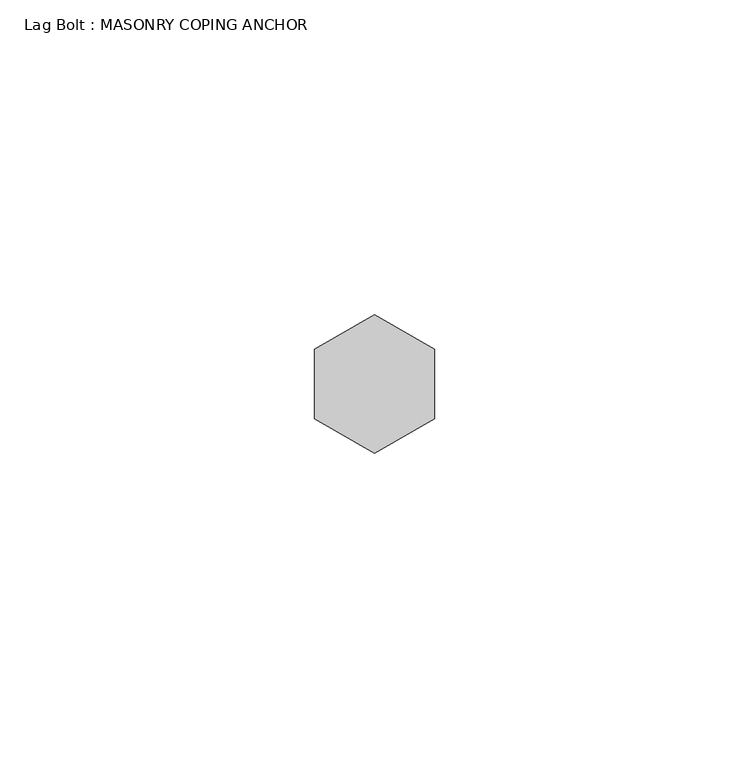
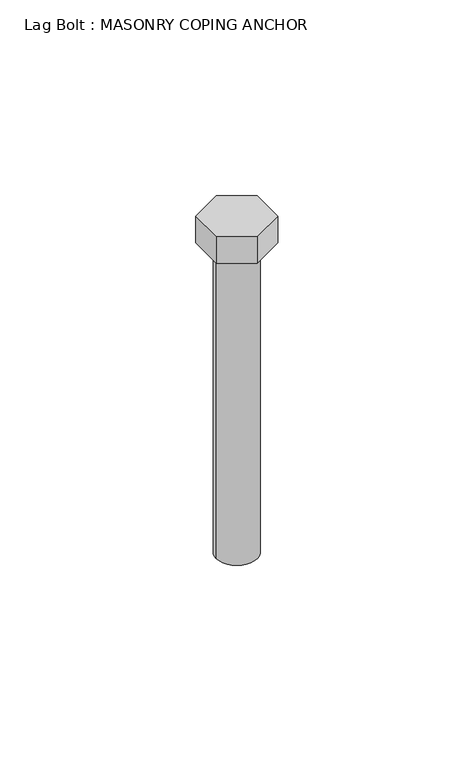
"""IFC4 building model written with IfcOpenShell, lengths in millimetres: proxy geometry, Lag Bolt : MASONRY COPING ANCHOR."""

from ifc_helpers import new_model, si_unit, point, frame, origin, origin_with_axes, origin_2d, place, context, project, spatial, polyline, circle_curve, trimmed, segment, composite_curve, outline, extrude, source, transform, mapped, element, save


def lag_bolt_masonry_coping_anchor_b43a95d9(model_context):
    return source(origin(), model_context, "Body", "SweptSolid", [
        extrude(outline(polyline([(-9.525, 5.4992613), (0.0, 10.9985226), (9.525, 5.4992613), (9.525, -5.4992613), (0.0, -10.9985226), (-9.525, -5.4992613), (-9.525, 5.4992613)])), origin_with_axes(), (0.0, 0.0, 1.0), 8.73125),
        extrude(outline(composite_curve([segment(trimmed(circle_curve(origin_2d(), 6.35), [point((-6.35, 0.0))], [point((6.35, 0.0))], False, "CARTESIAN"), True, "CONTINUOUS"), segment(trimmed(circle_curve(origin_2d(), 6.35), [point((6.35, 0.0))], [point((-6.35, 0.0))], False, "CARTESIAN"), True, "CONTINUOUS")], self_intersect=False)), frame((0.0, 0.0, -101.6), z_axis=(0.0, 0.0, 1.0), x_axis=(1.0, 0.0, 0.0)), (0.0, 0.0, 1.0), 101.6),
    ])


if __name__ == "__main__":
    model = new_model("IFC4")
    model_context = context("Model", 3, world=origin())
    ifc_project = project(units=[si_unit("LENGTHUNIT", "METRE", prefix="MILLI")], contexts=[model_context])
    site = spatial("IfcSite", under=ifc_project)
    building = spatial("IfcBuilding", under=site)
    placement = place(None, origin())
    lag_bolt_masonry_coping_anchor_shape = lag_bolt_masonry_coping_anchor_b43a95d9(model_context)
    element("IfcBuildingElementProxy", 1, Name="Lag Bolt : MASONRY COPING ANCHOR", ObjectType="Lag Bolt : MASONRY COPING ANCHOR", at=placement, inside=building, context=model_context, shape_type="MappedRepresentation", body=[
        mapped(lag_bolt_masonry_coping_anchor_shape, transform((0.0, 0.0, 0.0), x_axis=(1.0, 0.0, 0.0), y_axis=(0.0, 1.0, 0.0), z_axis=(0.0, 0.0, 1.0))),
    ])
    save(model, "model.ifc")
